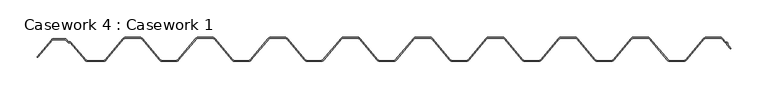
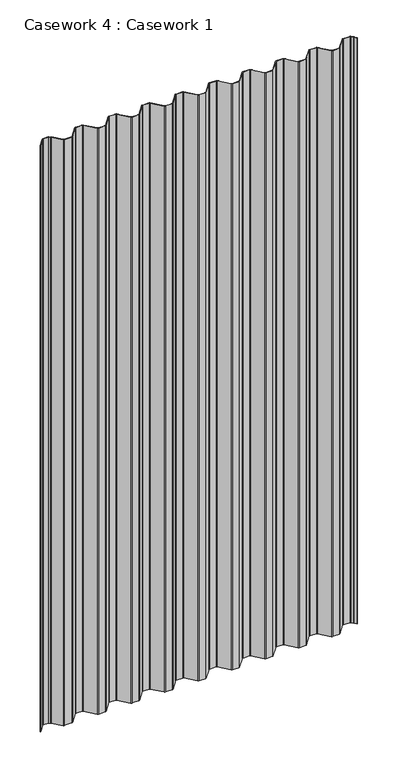
"""IFC4 building model written with IfcOpenShell, lengths in millimetres: furniture geometry, Casework 4 : Casework 1."""

from ifc_helpers import new_model, si_unit, point, frame, frame_2d, origin, place, context, project, spatial, polyline, circle_curve, trimmed, segment, composite_curve, outline, extrude, source, transform, mapped, element, save


def casework_4_casework_1_9f681fa9(model_context):
    return source(origin(), model_context, "Body", "SweptSolid", [
        extrude(outline(composite_curve([segment(polyline([(15845.6371749, 641.4396721), (15845.8426386, 643.672881), (15843.6094297, 643.8783447), (15839.1903616, 649.1929472)]), True, "CONTINUOUS"), segment(trimmed(circle_curve(frame_2d((15836.893565, 647.2629924)), 3.0), [point((15839.1903616, 649.1929472))], [point((15836.893565, 650.2629924))], True, "CARTESIAN"), True, "CONTINUOUS"), segment(polyline([(15836.893565, 650.2629924), (15817.8935645, 650.2629919)]), True, "CONTINUOUS"), segment(trimmed(circle_curve(frame_2d((15817.8935646, 647.2629919)), 3.0), [point((15817.8935645, 650.2629919))], [point((15815.5999142, 649.1966847))], True, "CARTESIAN"), True, "CONTINUOUS"), segment(polyline([(15815.5999142, 649.1966847), (15791.3517655, 620.4347353)]), True, "CONTINUOUS"), segment(trimmed(circle_curve(frame_2d((15788.293565, 623.0129924)), 4.0), [point((15791.3517655, 620.4347353))], [point((15788.293565, 619.0129924))], False, "CARTESIAN"), True, "CONTINUOUS"), segment(polyline([(15788.293565, 619.0129924), (15769.273565, 619.0129924)]), True, "CONTINUOUS"), segment(trimmed(circle_curve(frame_2d((15769.273565, 623.0129924)), 4.0), [point((15769.273565, 619.0129924))], [point((15766.2153653, 620.4347344))], False, "CARTESIAN"), True, "CONTINUOUS"), segment(polyline([(15766.2153653, 620.4347344), (15741.9723112, 649.1906242)]), True, "CONTINUOUS"), segment(trimmed(circle_curve(frame_2d((15739.673565, 647.2629919)), 3.0), [point((15741.9723112, 649.1906242))], [point((15739.6735651, 650.2629919))], True, "CARTESIAN"), True, "CONTINUOUS"), segment(polyline([(15739.6735651, 650.2629919), (15720.6735651, 650.2629924)]), True, "CONTINUOUS"), segment(trimmed(circle_curve(frame_2d((15720.673565, 647.2629924)), 3.0), [point((15720.6735651, 650.2629924))], [point((15718.3747391, 649.1905296))], True, "CARTESIAN"), True, "CONTINUOUS"), segment(polyline([(15718.3747391, 649.1905296), (15694.1369428, 620.4408889)]), True, "CONTINUOUS"), segment(trimmed(circle_curve(frame_2d((15691.073565, 623.0129924)), 4.0), [point((15694.1369428, 620.4408889))], [point((15691.073565, 619.0129924))], False, "CARTESIAN"), True, "CONTINUOUS"), segment(polyline([(15691.073565, 619.0129924), (15672.051565, 619.0129924)]), True, "CONTINUOUS"), segment(trimmed(circle_curve(frame_2d((15672.051565, 623.0129924)), 4.0), [point((15672.051565, 619.0129924))], [point((15668.9881873, 620.4408889))], False, "CARTESIAN"), True, "CONTINUOUS"), segment(polyline([(15668.9881873, 620.4408889), (15644.7503113, 649.1906241)]), True, "CONTINUOUS"), segment(trimmed(circle_curve(frame_2d((15642.451565, 647.2629919)), 3.0), [point((15644.7503113, 649.1906241))], [point((15642.451565, 650.2629919))], True, "CARTESIAN"), True, "CONTINUOUS"), segment(polyline([(15642.451565, 650.2629919), (15623.4533174, 650.2629919)]), True, "CONTINUOUS"), segment(trimmed(circle_curve(frame_2d((15623.451565, 647.2629924)), 3.0), [point((15623.4533174, 650.2629919))], [point((15621.1579147, 649.1966852))], True, "CARTESIAN"), True, "CONTINUOUS"), segment(polyline([(15621.1579147, 649.1966852), (15596.9097655, 620.4347353)]), True, "CONTINUOUS"), segment(trimmed(circle_curve(frame_2d((15593.851565, 623.0129924)), 4.0), [point((15596.9097655, 620.4347353))], [point((15593.851565, 619.0129924))], False, "CARTESIAN"), True, "CONTINUOUS"), segment(polyline([(15593.851565, 619.0129924), (15574.829565, 619.0129924)]), True, "CONTINUOUS"), segment(trimmed(circle_curve(frame_2d((15574.829565, 623.0129924)), 4.0), [point((15574.829565, 619.0129924))], [point((15571.7661873, 620.4408889))], False, "CARTESIAN"), True, "CONTINUOUS"), segment(polyline([(15571.7661873, 620.4408889), (15547.5283113, 649.1906241)]), True, "CONTINUOUS"), segment(trimmed(circle_curve(frame_2d((15545.229565, 647.2629919)), 3.0), [point((15547.5283113, 649.1906241))], [point((15545.229565, 650.2629919))], True, "CARTESIAN"), True, "CONTINUOUS"), segment(polyline([(15545.229565, 650.2629919), (15526.2313174, 650.2629919)]), True, "CONTINUOUS"), segment(trimmed(circle_curve(frame_2d((15526.229565, 647.2629924)), 3.0), [point((15526.2313174, 650.2629919))], [point((15523.9359151, 649.1966857))], True, "CARTESIAN"), True, "CONTINUOUS"), segment(polyline([(15523.9359151, 649.1966857), (15499.6929428, 620.4408889)]), True, "CONTINUOUS"), segment(trimmed(circle_curve(frame_2d((15496.629565, 623.0129924)), 4.0), [point((15499.6929428, 620.4408889))], [point((15496.629565, 619.0129924))], False, "CARTESIAN"), True, "CONTINUOUS"), segment(polyline([(15496.629565, 619.0129924), (15477.607565, 619.0129924)]), True, "CONTINUOUS"), segment(trimmed(circle_curve(frame_2d((15477.607565, 623.0129924)), 4.0), [point((15477.607565, 619.0129924))], [point((15474.5441873, 620.4408889))], False, "CARTESIAN"), True, "CONTINUOUS"), segment(polyline([(15474.5441873, 620.4408889), (15450.3063113, 649.1906241)]), True, "CONTINUOUS"), segment(trimmed(circle_curve(frame_2d((15448.007565, 647.2629919)), 3.0), [point((15450.3063113, 649.1906241))], [point((15448.0075651, 650.2629919))], True, "CARTESIAN"), True, "CONTINUOUS"), segment(polyline([(15448.0075651, 650.2629919), (15429.0075651, 650.2629924)]), True, "CONTINUOUS"), segment(trimmed(circle_curve(frame_2d((15429.007565, 647.2629924)), 3.0), [point((15429.0075651, 650.2629924))], [point((15426.7087392, 649.1905297))], True, "CARTESIAN"), True, "CONTINUOUS"), segment(polyline([(15426.7087392, 649.1905297), (15402.4657648, 620.4347344)]), True, "CONTINUOUS"), segment(trimmed(circle_curve(frame_2d((15399.407565, 623.0129924)), 4.0), [point((15402.4657648, 620.4347344))], [point((15399.407565, 619.0129924))], False, "CARTESIAN"), True, "CONTINUOUS"), segment(polyline([(15399.407565, 619.0129924), (15380.385565, 619.0129924)]), True, "CONTINUOUS"), segment(trimmed(circle_curve(frame_2d((15380.385565, 623.0129924)), 4.0), [point((15380.385565, 619.0129924))], [point((15377.3273645, 620.4347353))], False, "CARTESIAN"), True, "CONTINUOUS"), segment(polyline([(15377.3273645, 620.4347353), (15353.0792154, 649.1966852)]), True, "CONTINUOUS"), segment(trimmed(circle_curve(frame_2d((15350.785565, 647.2629924)), 3.0), [point((15353.0792154, 649.1966852))], [point((15350.785565, 650.2629924))], True, "CARTESIAN"), True, "CONTINUOUS"), segment(polyline([(15350.785565, 650.2629924), (15331.7855645, 650.2629919)]), True, "CONTINUOUS"), segment(trimmed(circle_curve(frame_2d((15331.7855646, 647.2629919)), 3.0), [point((15331.7855645, 650.2629919))], [point((15329.4919146, 649.1966852))], True, "CARTESIAN"), True, "CONTINUOUS"), segment(polyline([(15329.4919146, 649.1966852), (15305.2489428, 620.4408889)]), True, "CONTINUOUS"), segment(trimmed(circle_curve(frame_2d((15302.185565, 623.0129924)), 4.0), [point((15305.2489428, 620.4408889))], [point((15302.185565, 619.0129924))], False, "CARTESIAN"), True, "CONTINUOUS"), segment(polyline([(15302.185565, 619.0129924), (15283.161565, 619.0129924)]), True, "CONTINUOUS"), segment(trimmed(circle_curve(frame_2d((15283.161565, 623.0129924)), 4.0), [point((15283.161565, 619.0129924))], [point((15280.0981873, 620.4408889))], False, "CARTESIAN"), True, "CONTINUOUS"), segment(polyline([(15280.0981873, 620.4408889), (15255.8603113, 649.1906241)]), True, "CONTINUOUS"), segment(trimmed(circle_curve(frame_2d((15253.561565, 647.2629919)), 3.0), [point((15255.8603113, 649.1906241))], [point((15253.5615651, 650.2629919))], True, "CARTESIAN"), True, "CONTINUOUS"), segment(polyline([(15253.5615651, 650.2629919), (15234.5615651, 650.2629924)]), True, "CONTINUOUS"), segment(trimmed(circle_curve(frame_2d((15234.561565, 647.2629924)), 3.0), [point((15234.5615651, 650.2629924))], [point((15232.2627391, 649.1905296))], True, "CARTESIAN"), True, "CONTINUOUS"), segment(polyline([(15232.2627391, 649.1905296), (15208.0249428, 620.4408889)]), True, "CONTINUOUS"), segment(trimmed(circle_curve(frame_2d((15204.961565, 623.0129924)), 4.0), [point((15208.0249428, 620.4408889))], [point((15204.961565, 619.0129924))], False, "CARTESIAN"), True, "CONTINUOUS"), segment(polyline([(15204.961565, 619.0129924), (15185.939565, 619.0129924)]), True, "CONTINUOUS"), segment(trimmed(circle_curve(frame_2d((15185.939565, 623.0129924)), 4.0), [point((15185.939565, 619.0129924))], [point((15182.8761873, 620.4408889))], False, "CARTESIAN"), True, "CONTINUOUS"), segment(polyline([(15182.8761873, 620.4408889), (15158.6383113, 649.1906241)]), True, "CONTINUOUS"), segment(trimmed(circle_curve(frame_2d((15156.339565, 647.2629919)), 3.0), [point((15158.6383113, 649.1906241))], [point((15156.3395651, 650.2629919))], True, "CARTESIAN"), True, "CONTINUOUS"), segment(polyline([(15156.3395651, 650.2629919), (15137.3395651, 650.2629924)]), True, "CONTINUOUS"), segment(trimmed(circle_curve(frame_2d((15137.339565, 647.2629924)), 3.0), [point((15137.3395651, 650.2629924))], [point((15135.0407391, 649.1905296))], True, "CARTESIAN"), True, "CONTINUOUS"), segment(polyline([(15135.0407391, 649.1905296), (15110.8029428, 620.4408889)]), True, "CONTINUOUS"), segment(trimmed(circle_curve(frame_2d((15107.739565, 623.0129924)), 4.0), [point((15110.8029428, 620.4408889))], [point((15107.739565, 619.0129924))], False, "CARTESIAN"), True, "CONTINUOUS"), segment(polyline([(15107.739565, 619.0129924), (15088.717565, 619.0129924)]), True, "CONTINUOUS"), segment(trimmed(circle_curve(frame_2d((15088.717565, 623.0129924)), 4.0), [point((15088.717565, 619.0129924))], [point((15085.6541873, 620.4408889))], False, "CARTESIAN"), True, "CONTINUOUS"), segment(polyline([(15085.6541873, 620.4408889), (15061.4163113, 649.1906241)]), True, "CONTINUOUS"), segment(trimmed(circle_curve(frame_2d((15059.117565, 647.2629919)), 3.0), [point((15061.4163113, 649.1906241))], [point((15059.1175651, 650.2629919))], True, "CARTESIAN"), True, "CONTINUOUS"), segment(polyline([(15059.1175651, 650.2629919), (15040.1175651, 650.2629924)]), True, "CONTINUOUS"), segment(trimmed(circle_curve(frame_2d((15040.117565, 647.2629924)), 3.0), [point((15040.1175651, 650.2629924))], [point((15037.8187391, 649.1905296))], True, "CARTESIAN"), True, "CONTINUOUS"), segment(polyline([(15037.8187391, 649.1905296), (15013.5809428, 620.4408889)]), True, "CONTINUOUS"), segment(trimmed(circle_curve(frame_2d((15010.517565, 623.0129924)), 4.0), [point((15013.5809428, 620.4408889))], [point((15010.517565, 619.0129924))], False, "CARTESIAN"), True, "CONTINUOUS"), segment(polyline([(15010.517565, 619.0129924), (14988.7367355, 619.0129924)]), True, "CONTINUOUS"), segment(trimmed(circle_curve(frame_2d((14988.7367355, 623.0129924)), 4.0), [point((14988.7367355, 619.0129924))], [point((14985.6874313, 620.4242198))], False, "CARTESIAN"), True, "CONTINUOUS"), segment(polyline([(14985.6874313, 620.4242198), (14965.5584949, 644.2629924), (14963.6630823, 644.2629924)]), True, "CONTINUOUS"), segment(trimmed(circle_curve(frame_2d((14963.6630823, 646.2629924)), 2.0), [point((14963.6630823, 644.2629924))], [point((14962.1252507, 644.9842923))], False, "CARTESIAN"), True, "CONTINUOUS"), segment(polyline([(14962.1252507, 644.9842923), (14959.3925009, 648.2708403), (14943.9399323, 648.2629924)]), True, "CONTINUOUS"), segment(trimmed(circle_curve(frame_2d((14943.9399323, 645.2629924)), 3.0), [point((14943.9399323, 648.2629924))], [point((14941.6514749, 647.2028282))], True, "CARTESIAN"), True, "CONTINUOUS"), segment(polyline([(14941.6514749, 647.2028282), (14922.5196012, 624.5095632)]), True, "CONTINUOUS"), segment(trimmed(circle_curve(frame_2d((14922.1876551, 624.8872827)), 0.5028521), [point((14922.5196012, 624.5095632))], [point((14921.7966256, 625.2034411))], False, "CARTESIAN"), True, "CONTINUOUS"), segment(polyline([(14921.7966256, 625.2034411), (14940.8757545, 647.8341429)]), True, "CONTINUOUS"), segment(trimmed(circle_curve(frame_2d((14943.9399323, 645.2629924)), 4.0), [point((14940.8757545, 647.8341429))], [point((14943.9399323, 649.2629924))], False, "CARTESIAN"), True, "CONTINUOUS"), segment(polyline([(14943.9399323, 649.2629924), (14959.391993, 649.27084)]), True, "CONTINUOUS"), segment(trimmed(circle_curve(frame_2d((14959.3925009, 648.2708403)), 1.0), [point((14959.391993, 649.27084))], [point((14960.1614167, 648.9101903))], False, "CARTESIAN"), True, "CONTINUOUS"), segment(polyline([(14960.1614167, 648.9101903), (14962.8941665, 645.6236424)]), True, "CONTINUOUS"), segment(trimmed(circle_curve(frame_2d((14963.6630823, 646.2629924)), 1.0), [point((14962.8941665, 645.6236424))], [point((14963.6630823, 645.2629924))], True, "CARTESIAN"), True, "CONTINUOUS"), segment(polyline([(14963.6630823, 645.2629924), (14966.0229233, 645.2629924), (14986.4386022, 621.0846296)]), True, "CONTINUOUS"), segment(trimmed(circle_curve(frame_2d((14988.7367355, 623.0129924)), 3.0), [point((14986.4386022, 621.0846296))], [point((14988.7367355, 620.0129924))], True, "CARTESIAN"), True, "CONTINUOUS"), segment(polyline([(14988.7367355, 620.0129924), (15010.517565, 620.0129924)]), True, "CONTINUOUS"), segment(trimmed(circle_curve(frame_2d((15010.517565, 623.0129924)), 3.0), [point((15010.517565, 620.0129924))], [point((15012.8156984, 621.0846296))], True, "CARTESIAN"), True, "CONTINUOUS"), segment(polyline([(15012.8156984, 621.0846296), (15037.0533873, 649.8341429)]), True, "CONTINUOUS"), segment(trimmed(circle_curve(frame_2d((15040.117565, 647.2629924)), 4.0), [point((15037.0533873, 649.8341429))], [point((15040.117565, 651.2629924))], False, "CARTESIAN"), True, "CONTINUOUS"), segment(polyline([(15040.117565, 651.2629924), (15059.117565, 651.2629924)]), True, "CONTINUOUS"), segment(trimmed(circle_curve(frame_2d((15059.117565, 647.2629924)), 4.0), [point((15059.117565, 651.2629924))], [point((15062.1817428, 649.8341429))], False, "CARTESIAN"), True, "CONTINUOUS"), segment(polyline([(15062.1817428, 649.8341429), (15086.4194317, 621.0846296)]), True, "CONTINUOUS"), segment(trimmed(circle_curve(frame_2d((15088.717565, 623.0129924)), 3.0), [point((15086.4194317, 621.0846296))], [point((15088.717565, 620.0129924))], True, "CARTESIAN"), True, "CONTINUOUS"), segment(polyline([(15088.717565, 620.0129924), (15107.739565, 620.0129924)]), True, "CONTINUOUS"), segment(trimmed(circle_curve(frame_2d((15107.739565, 623.0129924)), 3.0), [point((15107.739565, 620.0129924))], [point((15110.0376984, 621.0846296))], True, "CARTESIAN"), True, "CONTINUOUS"), segment(polyline([(15110.0376984, 621.0846296), (15134.2753873, 649.8341429)]), True, "CONTINUOUS"), segment(trimmed(circle_curve(frame_2d((15137.339565, 647.2629924)), 4.0), [point((15134.2753873, 649.8341429))], [point((15137.339565, 651.2629924))], False, "CARTESIAN"), True, "CONTINUOUS"), segment(polyline([(15137.339565, 651.2629924), (15156.339565, 651.2629924)]), True, "CONTINUOUS"), segment(trimmed(circle_curve(frame_2d((15156.339565, 647.2629924)), 4.0), [point((15156.339565, 651.2629924))], [point((15159.4037428, 649.8341429))], False, "CARTESIAN"), True, "CONTINUOUS"), segment(polyline([(15159.4037428, 649.8341429), (15183.6414317, 621.0846296)]), True, "CONTINUOUS"), segment(trimmed(circle_curve(frame_2d((15185.939565, 623.0129924)), 3.0), [point((15183.6414317, 621.0846296))], [point((15185.939565, 620.0129924))], True, "CARTESIAN"), True, "CONTINUOUS"), segment(polyline([(15185.939565, 620.0129924), (15204.961565, 620.0129924)]), True, "CONTINUOUS"), segment(trimmed(circle_curve(frame_2d((15204.961565, 623.0129924)), 3.0), [point((15204.961565, 620.0129924))], [point((15207.2596984, 621.0846296))], True, "CARTESIAN"), True, "CONTINUOUS"), segment(polyline([(15207.2596984, 621.0846296), (15231.4973873, 649.8341429)]), True, "CONTINUOUS"), segment(trimmed(circle_curve(frame_2d((15234.561565, 647.2629924)), 4.0), [point((15231.4973873, 649.8341429))], [point((15234.561565, 651.2629924))], False, "CARTESIAN"), True, "CONTINUOUS"), segment(polyline([(15234.561565, 651.2629924), (15253.561565, 651.2629924)]), True, "CONTINUOUS"), segment(trimmed(circle_curve(frame_2d((15253.561565, 647.2629924)), 4.0), [point((15253.561565, 651.2629924))], [point((15256.6257428, 649.8341429))], False, "CARTESIAN"), True, "CONTINUOUS"), segment(polyline([(15256.6257428, 649.8341429), (15280.8634317, 621.0846296)]), True, "CONTINUOUS"), segment(trimmed(circle_curve(frame_2d((15283.161565, 623.0129924)), 3.0), [point((15280.8634317, 621.0846296))], [point((15283.161565, 620.0129924))], True, "CARTESIAN"), True, "CONTINUOUS"), segment(polyline([(15283.161565, 620.0129924), (15302.185565, 620.0129924)]), True, "CONTINUOUS"), segment(trimmed(circle_curve(frame_2d((15302.185565, 623.0129924)), 3.0), [point((15302.185565, 620.0129924))], [point((15304.4836984, 621.0846296))], True, "CARTESIAN"), True, "CONTINUOUS"), segment(polyline([(15304.4836984, 621.0846296), (15328.7273651, 649.8412502)]), True, "CONTINUOUS"), segment(trimmed(circle_curve(frame_2d((15331.785565, 647.2629924)), 4.0), [point((15328.7273651, 649.8412502))], [point((15331.785565, 651.2629924))], False, "CARTESIAN"), True, "CONTINUOUS"), segment(polyline([(15331.785565, 651.2629924), (15350.785565, 651.2629924)]), True, "CONTINUOUS"), segment(trimmed(circle_curve(frame_2d((15350.785565, 647.2629924)), 4.0), [point((15350.785565, 651.2629924))], [point((15353.8437655, 649.8412495))], False, "CARTESIAN"), True, "CONTINUOUS"), segment(polyline([(15353.8437655, 649.8412495), (15378.0919147, 621.0792996)]), True, "CONTINUOUS"), segment(trimmed(circle_curve(frame_2d((15380.385565, 623.0129924)), 3.0), [point((15378.0919147, 621.0792996))], [point((15380.385565, 620.0129924))], True, "CARTESIAN"), True, "CONTINUOUS"), segment(polyline([(15380.385565, 620.0129924), (15399.407565, 620.0129924)]), True, "CONTINUOUS"), segment(trimmed(circle_curve(frame_2d((15399.407565, 623.0129924)), 3.0), [point((15399.407565, 620.0129924))], [point((15401.7012149, 621.0792989))], True, "CARTESIAN"), True, "CONTINUOUS"), segment(polyline([(15401.7012149, 621.0792989), (15425.9433873, 649.8341429)]), True, "CONTINUOUS"), segment(trimmed(circle_curve(frame_2d((15429.007565, 647.2629924)), 4.0), [point((15425.9433873, 649.8341429))], [point((15429.007565, 651.2629924))], False, "CARTESIAN"), True, "CONTINUOUS"), segment(polyline([(15429.007565, 651.2629924), (15448.007565, 651.2629924)]), True, "CONTINUOUS"), segment(trimmed(circle_curve(frame_2d((15448.007565, 647.2629924)), 4.0), [point((15448.007565, 651.2629924))], [point((15451.0717428, 649.8341429))], False, "CARTESIAN"), True, "CONTINUOUS"), segment(polyline([(15451.0717428, 649.8341429), (15475.3094317, 621.0846296)]), True, "CONTINUOUS"), segment(trimmed(circle_curve(frame_2d((15477.607565, 623.0129924)), 3.0), [point((15475.3094317, 621.0846296))], [point((15477.607565, 620.0129924))], True, "CARTESIAN"), True, "CONTINUOUS"), segment(polyline([(15477.607565, 620.0129924), (15496.629565, 620.0129924)]), True, "CONTINUOUS"), segment(trimmed(circle_curve(frame_2d((15496.629565, 623.0129924)), 3.0), [point((15496.629565, 620.0129924))], [point((15498.9276984, 621.0846296))], True, "CARTESIAN"), True, "CONTINUOUS"), segment(polyline([(15498.9276984, 621.0846296), (15523.1713651, 649.8412502)]), True, "CONTINUOUS"), segment(trimmed(circle_curve(frame_2d((15526.229565, 647.2629924)), 4.0), [point((15523.1713651, 649.8412502))], [point((15526.229565, 651.2629924))], False, "CARTESIAN"), True, "CONTINUOUS"), segment(polyline([(15526.229565, 651.2629924), (15545.229565, 651.2629924)]), True, "CONTINUOUS"), segment(trimmed(circle_curve(frame_2d((15545.229565, 647.2629924)), 4.0), [point((15545.229565, 651.2629924))], [point((15548.2937428, 649.8341429))], False, "CARTESIAN"), True, "CONTINUOUS"), segment(polyline([(15548.2937428, 649.8341429), (15572.5314317, 621.0846296)]), True, "CONTINUOUS"), segment(trimmed(circle_curve(frame_2d((15574.829565, 623.0129924)), 3.0), [point((15572.5314317, 621.0846296))], [point((15574.829565, 620.0129924))], True, "CARTESIAN"), True, "CONTINUOUS"), segment(polyline([(15574.829565, 620.0129924), (15593.851565, 620.0129924)]), True, "CONTINUOUS"), segment(trimmed(circle_curve(frame_2d((15593.851565, 623.0129924)), 3.0), [point((15593.851565, 620.0129924))], [point((15596.1452154, 621.0792996))], True, "CARTESIAN"), True, "CONTINUOUS"), segment(polyline([(15596.1452154, 621.0792996), (15620.3933645, 649.8412495)]), True, "CONTINUOUS"), segment(trimmed(circle_curve(frame_2d((15623.451565, 647.2629924)), 4.0), [point((15620.3933645, 649.8412495))], [point((15623.451565, 651.2629924))], False, "CARTESIAN"), True, "CONTINUOUS"), segment(polyline([(15623.451565, 651.2629924), (15642.451565, 651.2629924)]), True, "CONTINUOUS"), segment(trimmed(circle_curve(frame_2d((15642.451565, 647.2629924)), 4.0), [point((15642.451565, 651.2629924))], [point((15645.5157428, 649.8341429))], False, "CARTESIAN"), True, "CONTINUOUS"), segment(polyline([(15645.5157428, 649.8341429), (15669.7534317, 621.0846296)]), True, "CONTINUOUS"), segment(trimmed(circle_curve(frame_2d((15672.051565, 623.0129924)), 3.0), [point((15669.7534317, 621.0846296))], [point((15672.051565, 620.0129924))], True, "CARTESIAN"), True, "CONTINUOUS"), segment(polyline([(15672.051565, 620.0129924), (15691.073565, 620.0129924)]), True, "CONTINUOUS"), segment(trimmed(circle_curve(frame_2d((15691.073565, 623.0129924)), 3.0), [point((15691.073565, 620.0129924))], [point((15693.3716984, 621.0846296))], True, "CARTESIAN"), True, "CONTINUOUS"), segment(polyline([(15693.3716984, 621.0846296), (15717.6093873, 649.8341429)]), True, "CONTINUOUS"), segment(trimmed(circle_curve(frame_2d((15720.673565, 647.2629924)), 4.0), [point((15717.6093873, 649.8341429))], [point((15720.673565, 651.2629924))], False, "CARTESIAN"), True, "CONTINUOUS"), segment(polyline([(15720.673565, 651.2629924), (15739.673565, 651.2629924)]), True, "CONTINUOUS"), segment(trimmed(circle_curve(frame_2d((15739.673565, 647.2629924)), 4.0), [point((15739.673565, 651.2629924))], [point((15742.7377428, 649.8341429))], False, "CARTESIAN"), True, "CONTINUOUS"), segment(polyline([(15742.7377428, 649.8341429), (15766.9799152, 621.0792989)]), True, "CONTINUOUS"), segment(trimmed(circle_curve(frame_2d((15769.273565, 623.0129924)), 3.0), [point((15766.9799152, 621.0792989))], [point((15769.273565, 620.0129924))], True, "CARTESIAN"), True, "CONTINUOUS"), segment(polyline([(15769.273565, 620.0129924), (15788.293565, 620.0129924)]), True, "CONTINUOUS"), segment(trimmed(circle_curve(frame_2d((15788.293565, 623.0129924)), 3.0), [point((15788.293565, 620.0129924))], [point((15790.5872154, 621.0792996))], True, "CARTESIAN"), True, "CONTINUOUS"), segment(polyline([(15790.5872154, 621.0792996), (15814.8353645, 649.8412495)]), True, "CONTINUOUS"), segment(trimmed(circle_curve(frame_2d((15817.893565, 647.2629924)), 4.0), [point((15814.8353645, 649.8412495))], [point((15817.893565, 651.2629924))], False, "CARTESIAN"), True, "CONTINUOUS"), segment(polyline([(15817.893565, 651.2629924), (15836.893565, 651.2629924)]), True, "CONTINUOUS"), segment(trimmed(circle_curve(frame_2d((15836.893565, 647.2629924)), 4.0), [point((15836.893565, 651.2629924))], [point((15839.9577428, 649.8341429))], False, "CARTESIAN"), True, "CONTINUOUS"), segment(polyline([(15839.9577428, 649.8341429), (15844.113518, 644.8361901), (15846.2259168, 644.6418414), (15846.8652668, 643.8729256), (15846.6709182, 641.7605268), (15850.8266934, 636.762574)]), True, "CONTINUOUS"), segment(trimmed(circle_curve(frame_2d((15850.4389812, 636.440193)), 0.5042323), [point((15850.8266934, 636.762574))], [point((15850.1166002, 636.0524808))], False, "CARTESIAN"), True, "CONTINUOUS"), segment(polyline([(15850.1166002, 636.0524808), (15845.6371749, 641.4396721)]), True, "CONTINUOUS")], self_intersect=False)), frame((0.0, 0.0, -1746.662203), z_axis=(0.0, 0.0, 1.0), x_axis=(1.0, 0.0, 0.0)), (0.0, 0.0, 1.0), 1800.0),
    ])


if __name__ == "__main__":
    model = new_model("IFC4")
    model_context = context("Model", 3, world=origin())
    ifc_project = project(units=[si_unit("LENGTHUNIT", "METRE", prefix="MILLI")], contexts=[model_context])
    site = spatial("IfcSite", under=ifc_project)
    building = spatial("IfcBuilding", under=site)
    placement = place(None, origin())
    casework_4_casework_1_shape = casework_4_casework_1_9f681fa9(model_context)
    element("IfcFurniture", 1, ObjectType="Casework 4 : Casework 1", at=placement, inside=building, context=model_context, shape_type="MappedRepresentation", body=[
        mapped(casework_4_casework_1_shape, transform((0.0, 0.0, 0.0), x_axis=(1.0, 0.0, 0.0), y_axis=(0.0, 1.0, 0.0), z_axis=(0.0, 0.0, 1.0))),
    ])
    save(model, "model.ifc")
